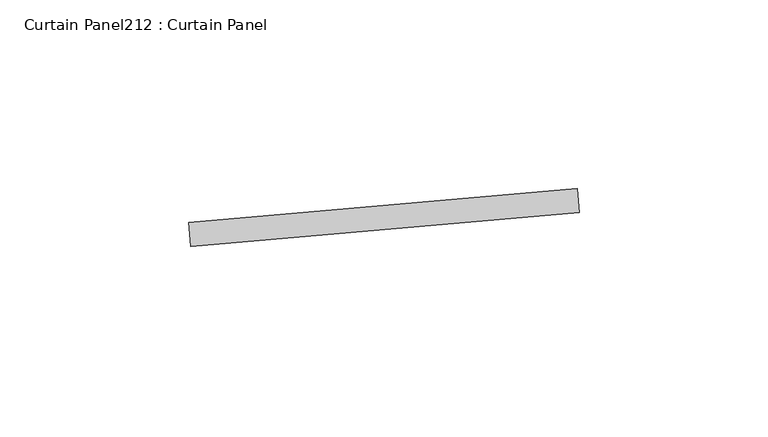
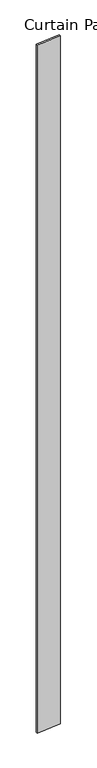
"""IFC4 building model written with IfcOpenShell, lengths in millimetres: plate geometry, Curtain Panel212 : Curtain Panel."""

from ifc_helpers import new_model, si_unit, frame, origin, place, context, project, spatial, polyline, outline, extrude, source, transform, mapped, element, save


def curtain_panel212_curtain_panel_a31ad35e(model_context):
    return source(origin(), model_context, "Body", "SweptSolid", [
        extrude(outline(polyline([(619053.9286374, 2395.1915836), (618951.1022154, 2386.1954373), (618950.5487764, 2392.5212737), (619053.3751984, 2401.5174199), (619053.9286374, 2395.1915836)])), frame((0.0, 0.0, 4959.7989371), z_axis=(0.0, 0.0, 1.0), x_axis=(1.0, 0.0, 0.0)), (0.0, 0.0, 1.0), 3048.0),
    ])


if __name__ == "__main__":
    model = new_model("IFC4")
    model_context = context("Model", 3, world=origin())
    ifc_project = project(units=[si_unit("LENGTHUNIT", "METRE", prefix="MILLI")], contexts=[model_context])
    site = spatial("IfcSite", under=ifc_project)
    building = spatial("IfcBuilding", under=site)
    placement = place(None, origin())
    curtain_panel212_curtain_panel_shape = curtain_panel212_curtain_panel_a31ad35e(model_context)
    element("IfcPlate", 1, ObjectType="Curtain Panel212 : Curtain Panel", at=placement, inside=building, context=model_context, shape_type="MappedRepresentation", body=[
        mapped(curtain_panel212_curtain_panel_shape, transform((0.0, 0.0, 0.0), x_axis=(1.0, 0.0, 0.0), y_axis=(0.0, 1.0, 0.0), z_axis=(0.0, 0.0, 1.0))),
    ])
    save(model, "model.ifc")
